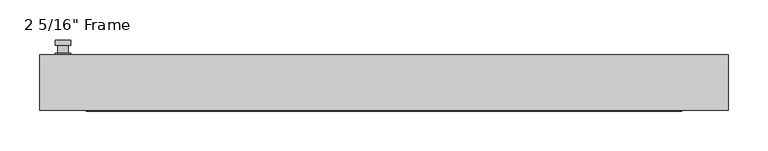
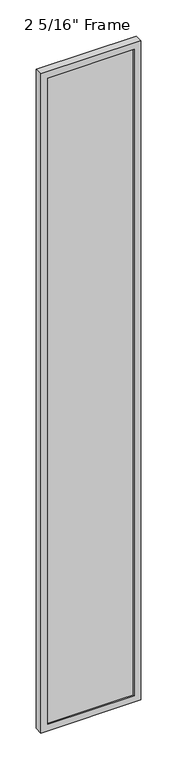
"""IFC4 building model written with IfcOpenShell, lengths in millimetres: plate geometry."""

from ifc_helpers import new_model, si_unit, frame, origin, place, context, project, spatial, polyline, circle_curve, outline, extrude, faceted_brep, source, transform, mapped, element, save
from ifc_brep_helpers import plane_surface, cylinder_surface, advanced_brep


def plate_e05710f5(model_context):
    return source(origin(), model_context, "Body", "SolidModel", [
        advanced_brep(
        [(-394.81125, 34.925, 927.1), (-413.86125, 34.925, 927.1), (-413.86125, 34.925, 901.7), (-394.81125, 34.925, 901.7), (-397.98625, 47.625, 914.4), (-397.98625, 38.1, 914.4), (-410.68625, 38.1, 914.4), (-410.68625, 47.625, 914.4), (-394.81125, 47.625, 914.4), (-413.86125, 47.625, 914.4), (-410.6822144, 47.625, 825.2736467), (-397.9902856, 47.625, 825.2736467), (-394.81125, 53.975, 914.4), (-397.9902856, 53.975, 825.2736467), (-410.6822144, 53.975, 825.2736467), (-413.86125, 53.975, 914.4), (-394.81125, 38.1, 927.1), (-394.81125, 38.1, 901.7), (-413.86125, 38.1, 901.7), (-413.86125, 38.1, 927.1)],
        [
            (0, 1, circle_curve(frame((-404.33625, 34.925, 927.1), z_axis=(0.0, -1.0, 0.0), x_axis=(-1.0, 0.0, 0.0)), 9.525)),
            (1, 2),
            (2, 3, circle_curve(frame((-404.33625, 34.925, 901.7), z_axis=(0.0, -1.0, 0.0), x_axis=(-1.0, 0.0, 0.0)), 9.525)),
            (3, 0),
            (4, 5),
            (5, 6, circle_curve(frame((-404.33625, 38.1, 914.4), z_axis=(0.0, 1.0, 0.0), x_axis=(-1.0, 0.0, 0.0)), 6.35)),
            (6, 7),
            (7, 4, circle_curve(frame((-404.33625, 47.625, 914.4), z_axis=(0.0, -1.0, 0.0), x_axis=(-1.0, 0.0, 0.0)), 6.35)),
            (6, 5, circle_curve(frame((-404.33625, 38.1, 914.4), z_axis=(0.0, 1.0, 0.0), x_axis=(-1.0, 0.0, 0.0)), 6.35)),
            (4, 7, circle_curve(frame((-404.33625, 47.625, 914.4), z_axis=(0.0, -1.0, 0.0), x_axis=(-1.0, 0.0, 0.0)), 6.35)),
            (8, 9, circle_curve(frame((-404.33625, 47.625, 914.4), z_axis=(0.0, -1.0, 0.0), x_axis=(-1.0, 0.0, 0.0)), 9.525)),
            (9, 10),
            (10, 11, circle_curve(frame((-404.33625, 47.625, 825.5), z_axis=(0.0, -1.0, 0.0), x_axis=(-1.0, 0.0, 0.0)), 6.35)),
            (11, 8),
            (12, 13),
            (13, 14, circle_curve(frame((-404.33625, 53.975, 825.5), z_axis=(0.0, 1.0, 0.0), x_axis=(-1.0, 0.0, 0.0)), 6.35)),
            (14, 15),
            (15, 12, circle_curve(frame((-404.33625, 53.975, 914.4), z_axis=(0.0, 1.0, 0.0), x_axis=(-1.0, 0.0, 0.0)), 9.525)),
            (11, 13),
            (12, 8),
            (10, 14),
            (9, 15),
            (16, 17),
            (17, 18, circle_curve(frame((-404.33625, 38.1, 901.7), z_axis=(0.0, 1.0, 0.0), x_axis=(-1.0, 0.0, 0.0)), 9.525)),
            (18, 19),
            (19, 16, circle_curve(frame((-404.33625, 38.1, 927.1), z_axis=(0.0, 1.0, 0.0), x_axis=(-1.0, 0.0, 0.0)), 9.525)),
            (3, 17),
            (16, 0),
            (2, 18),
            (1, 19),
        ],
        [
            plane_surface(frame((-410.68625, 34.925, 914.4), z_axis=(0.0, -1.0, 0.0), x_axis=(0.0, 0.0, 1.0))),
            cylinder_surface(frame((-404.33625, 47.625, 914.4), z_axis=(0.0, -1.0, 0.0), x_axis=(-1.0, 0.0, 0.0)), 6.35),
            plane_surface(frame((-394.81125, 47.625, 914.4), z_axis=(0.0, -1.0000000000000002, 0.0), x_axis=(-0.03564619348186888, 0.0, -0.9993644724975235))),
            plane_surface(frame((-394.81125, 53.975, 914.4), z_axis=(0.0, 1.0000000000000002, 0.0), x_axis=(0.03564619348186888, 0.0, 0.9993644724975235))),
            plane_surface(frame((-394.81125, 47.625, 914.4), z_axis=(0.9993644724975235, 0.0, -0.03564619348186888), x_axis=(0.0, 1.0, 0.0))),
            cylinder_surface(frame((-404.33625, 53.975, 825.5), z_axis=(0.0, -1.0, 0.0), x_axis=(-1.0, 0.0, 0.0)), 6.35),
            plane_surface(frame((-410.6822144, 47.625, 825.2736467), z_axis=(-0.9993644724975228, 0.0, -0.03564619348188612), x_axis=(0.0, 1.0, 0.0))),
            cylinder_surface(frame((-404.33625, 53.975, 914.4), z_axis=(0.0, -1.0, 0.0), x_axis=(-1.0, 0.0, 0.0)), 9.525),
            plane_surface(frame((-394.81125, 38.1, 901.7), z_axis=(0.0, 1.0, 0.0), x_axis=(0.0, 0.0, 1.0))),
            plane_surface(frame((-394.81125, 34.925, 927.1), z_axis=(1.0, 0.0, 0.0), x_axis=(0.0, 1.0, 0.0))),
            cylinder_surface(frame((-404.33625, 38.1, 901.7), z_axis=(0.0, -1.0, 0.0), x_axis=(-1.0, 0.0, 0.0)), 9.525),
            plane_surface(frame((-413.86125, 34.925, 901.7), z_axis=(-1.0, 0.0, 0.0), x_axis=(0.0, 1.0, 0.0))),
            cylinder_surface(frame((-404.33625, 38.1, 927.1), z_axis=(0.0, -1.0, 0.0), x_axis=(-1.0, 0.0, 0.0)), 9.525),
        ],
        [
            (0, [[1, 2, 3, 4]]),
            (1, [[5, 6, 7, 8]]),
            (1, [[-7, 9, -5, 10]]),
            (2, [[11, 12, 13, 14], [-10, -8]]),
            (3, [[15, 16, 17, 18]]),
            (4, [[19, -15, 20, -14]]),
            (5, [[21, -16, -19, -13]]),
            (6, [[22, -17, -21, -12]]),
            (7, [[-20, -18, -22, -11]]),
            (8, [[23, 24, 25, 26], [-9, -6]]),
            (9, [[27, -23, 28, -4]]),
            (10, [[29, -24, -27, -3]]),
            (11, [[30, -25, -29, -2]]),
            (12, [[-28, -26, -30, -1]]),
        ],
    ),
        faceted_brep([(-433.705, 34.925, 0.0), (433.705, 34.925, 0.0), (433.705, -34.925, 0.0), (-433.705, -34.925, 0.0), (-374.9675, -34.925, 5989.6375), (-374.9675, -34.925, 58.7375), (-374.9675, -22.225, 58.7375), (-374.9675, -22.225, 5989.6375), (387.6675, -22.225, 6002.3375), (387.6675, -22.225, 46.0375), (-387.6675, -22.225, 46.0375), (-387.6675, -22.225, 6002.3375), (374.9675, -22.225, 58.7375), (374.9675, -22.225, 5989.6375), (-387.6675, 1.5875, 46.0375), (-387.6675, 1.5875, 6002.3375), (387.6675, 1.5875, 46.0375), (387.6675, 1.5875, 6002.3375), (-374.9675, 1.5875, 5989.6375), (374.9675, 1.5875, 5989.6375), (374.9675, 1.5875, 58.7375), (-374.9675, 1.5875, 58.7375), (-374.9675, 34.925, 58.7375), (-374.9675, 34.925, 5989.6375), (-433.705, 34.925, 6048.375), (433.705, 34.925, 6048.375), (374.9675, 34.925, 58.7375), (374.9675, 34.925, 5989.6375), (-433.705, -34.925, 6048.375), (433.705, -34.925, 6048.375), (374.9675, -34.925, 5989.6375), (374.9675, -34.925, 58.7375)], [[[0, 1, 2, 3]], [[4, 5, 6, 7]], [[8, 9, 10, 11], [7, 6, 12, 13]], [[10, 14, 15, 11]], [[15, 14, 16, 17], [18, 19, 20, 21]], [[18, 21, 22, 23]], [[0, 24, 25, 1], [23, 22, 26, 27]], [[3, 28, 24, 0]], [[2, 29, 28, 3], [4, 30, 31, 5]], [[7, 13, 30, 4]], [[11, 15, 17, 8]], [[18, 23, 27, 19]], [[24, 28, 29, 25]], [[13, 12, 31, 30]], [[16, 9, 8, 17]], [[27, 26, 20, 19]], [[25, 29, 2, 1]], [[22, 21, 20, 26]], [[9, 16, 14, 10]], [[6, 5, 31, 12]]]),
        extrude(outline(polyline([(387.6675, 1.5875), (387.6675, -22.225), (-387.6675, -22.225), (-387.6675, 1.5875), (387.6675, 1.5875)])), frame((0.0, 0.0, 46.0375), z_axis=(0.0, 0.0, 1.0), x_axis=(1.0, 0.0, 0.0)), (0.0, 0.0, 1.0), 5956.3),
    ])


if __name__ == "__main__":
    model = new_model("IFC4")
    model_context = context("Model", 3, world=origin())
    ifc_project = project(units=[si_unit("LENGTHUNIT", "METRE", prefix="MILLI")], contexts=[model_context])
    site = spatial("IfcSite", under=ifc_project)
    building = spatial("IfcBuilding", under=site)
    placement = place(None, origin())
    plate_shape = plate_e05710f5(model_context)
    element("IfcPlate", 1, ObjectType="2 5/16\" Frame", at=placement, inside=building, context=model_context, shape_type="MappedRepresentation", body=[
        mapped(plate_shape, transform((0.0, 0.0, 0.0), x_axis=(1.0, 0.0, 0.0), y_axis=(0.0, 1.0, 0.0), z_axis=(0.0, 0.0, 1.0))),
    ])
    save(model, "model.ifc")
